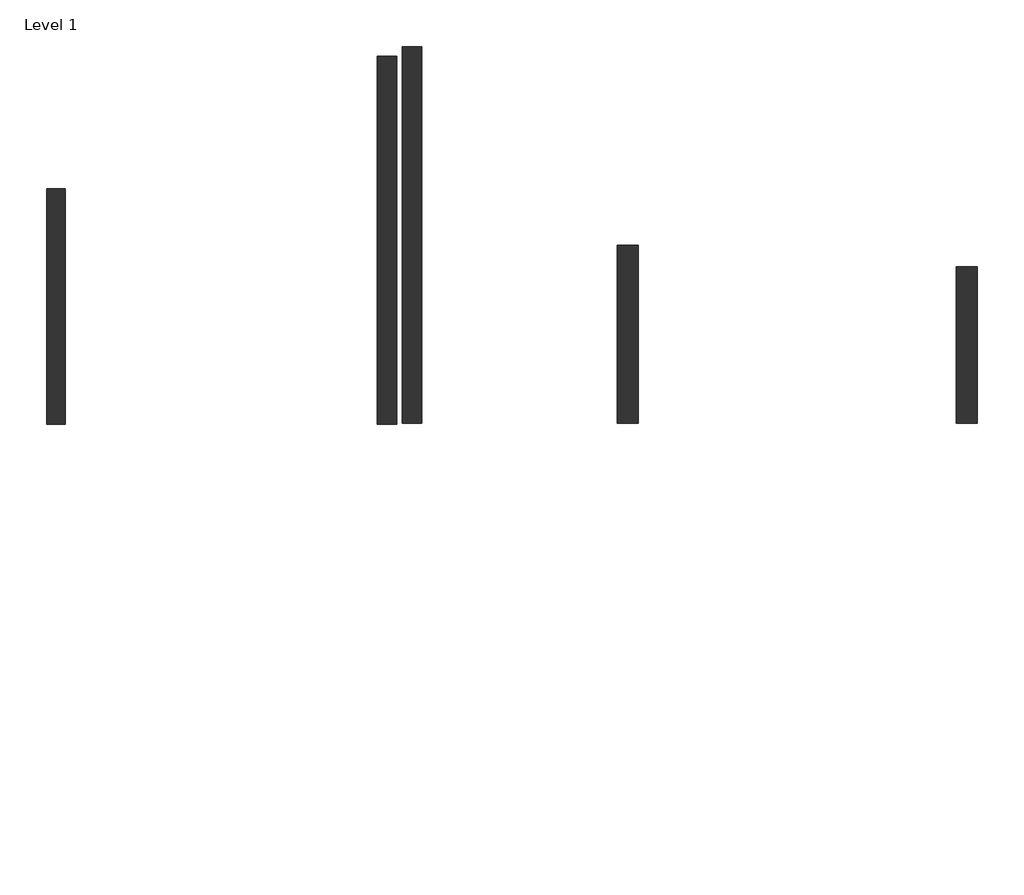
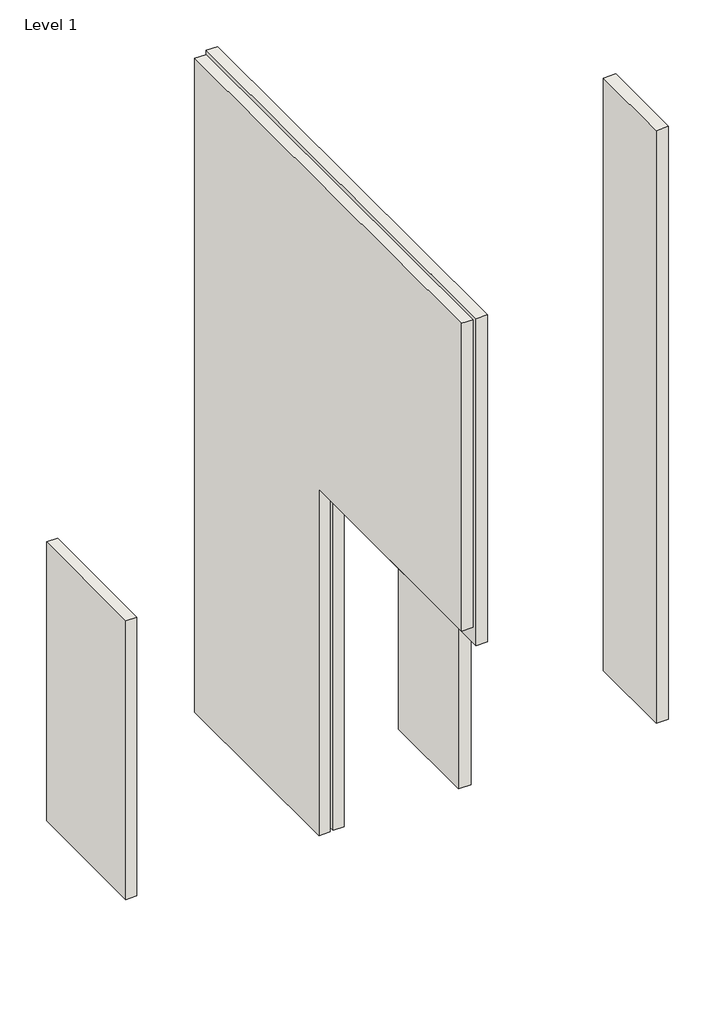
# One storey: 5 walls.
"""IFC4 building model written with IfcOpenShell, lengths in millimetres."""

from ifc_helpers import new_model, si_unit, frame, origin, origin_with_axes, place, context, project, spatial, polyline, outline, extrude, element, save

model = new_model("IFC4")

# Units and contexts
model_context = context("Model", 3, world=origin())
ifc_project = project(units=[si_unit("LENGTHUNIT", "METRE", prefix="MILLI")], contexts=[model_context])

# Site, building, storey
site = spatial("IfcSite", under=ifc_project)
building = spatial("IfcBuilding", under=site)
storey = spatial("IfcBuildingStorey", under=building, Name="Level 1", Elevation=0.0)

# Walls
placement = place(None, origin())
element("IfcWall", 1, at=placement, inside=storey, context=model_context, shape_type="SweptSolid", body=[
    extrude(outline(polyline([(-5826.9000517, -1577.1080392), (-5826.9000517, -3638.399742), (-5992.0000517, -3638.399742), (-5992.0000517, -1577.1080392), (-5826.9000517, -1577.1080392)])), origin_with_axes(), (0.0, 0.0, 1.0), 4419.6),
])
element("IfcWall", 2, at=placement, inside=storey, context=model_context, shape_type="SweptSolid", body=[
    extrude(outline(polyline([(2150.6308499, -2257.2794372), (2150.6308499, -3628.8794372), (1966.4808499, -3628.8794372), (1966.4808499, -2257.2794372), (2150.6308499, -2257.2794372)])), origin_with_axes(), (0.0, 0.0, 1.0), 9392.8740154),
])
element("IfcWall", 3, at=placement, inside=storey, context=model_context, shape_type="SweptSolid", body=[
    extrude(outline(polyline([(-814.9642522, -2069.8062014), (-814.9642522, -3628.8794372), (-999.1142522, -3628.8794372), (-999.1142522, -2069.8062014), (-814.9642522, -2069.8062014)])), origin_with_axes(), (0.0, 0.0, 1.0), 4572.0),
])
element("IfcWall", 4, at=placement, inside=storey, context=model_context, shape_type="SweptSolid", body=[
    extrude(outline(polyline([(-333.224742, 0.0), (-3628.8794372, 0.0), (-3628.8794372, 5181.6), (-7343.624742, 5181.6), (-7343.624742, 10363.2), (-333.224742, 10363.2), (-333.224742, 0.0)])), frame((-2879.5467216, 0.0, 0.0), z_axis=(1.0, 0.0, 0.0), x_axis=(0.0, 1.0, 0.0)), (0.0, 0.0, 1.0), 168.275),
])
element("IfcWall", 5, at=placement, inside=storey, context=model_context, shape_type="SweptSolid", body=[
    extrude(outline(polyline([(-417.362242, 0.0), (-3638.399742, 0.0), (-3638.399742, 5486.4), (-7343.624742, 5486.4), (-7343.624742, 10363.2), (-417.362242, 10363.2), (-417.362242, 0.0)])), frame((-3097.9875517, 0.0, 0.0), z_axis=(1.0, 0.0, 0.0), x_axis=(0.0, 1.0, 0.0)), (0.0, 0.0, 1.0), 168.275),
])

save(model, "model.ifc")
